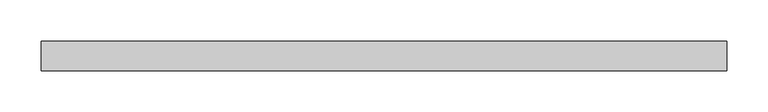
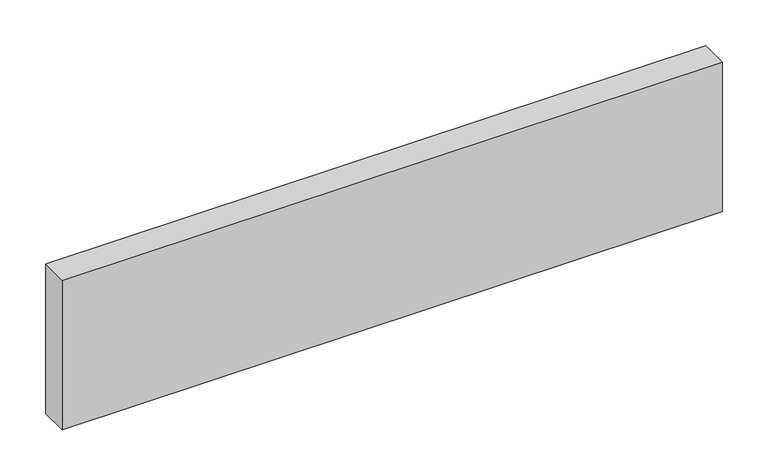
"""IFC4 building model written with IfcOpenShell, lengths in millimetres: beam geometry."""

from ifc_helpers import new_model, si_unit, frame, origin, place, context, project, spatial, polyline, outline, extrude, source, transform, mapped, element, save


def beam_d18d36ce(model_context):
    return source(origin(), model_context, "Body", "SweptSolid", [
        extrude(outline(polyline([(417.0, -18.0), (-417.0, -18.0), (-417.0, 18.0), (417.0, 18.0), (417.0, -18.0)])), frame((0.0, 0.0, -100.0), z_axis=(0.0, 0.0, 1.0), x_axis=(1.0, 0.0, 0.0)), (0.0, 0.0, 1.0), 200.0),
    ])


if __name__ == "__main__":
    model = new_model("IFC4")
    model_context = context("Model", 3, world=origin())
    ifc_project = project(units=[si_unit("LENGTHUNIT", "METRE", prefix="MILLI")], contexts=[model_context])
    site = spatial("IfcSite", under=ifc_project)
    building = spatial("IfcBuilding", under=site)
    placement = place(None, origin())
    beam_shape = beam_d18d36ce(model_context)
    element("IfcBeam", 1, at=placement, inside=building, context=model_context, shape_type="MappedRepresentation", body=[
        mapped(beam_shape, transform((0.0, 0.0, 0.0), x_axis=(1.0, 0.0, 0.0), y_axis=(0.0, 1.0, 0.0), z_axis=(0.0, 0.0, 1.0))),
    ])
    save(model, "model.ifc")
